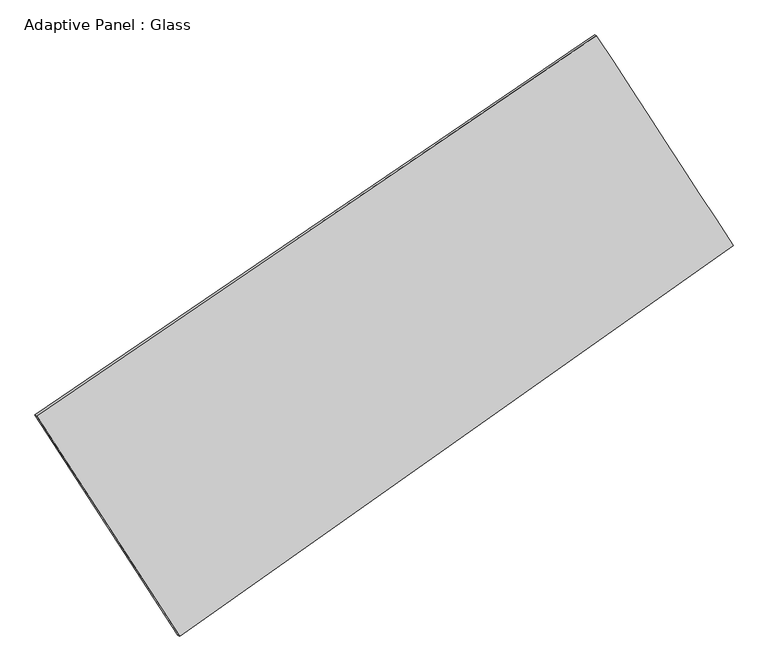
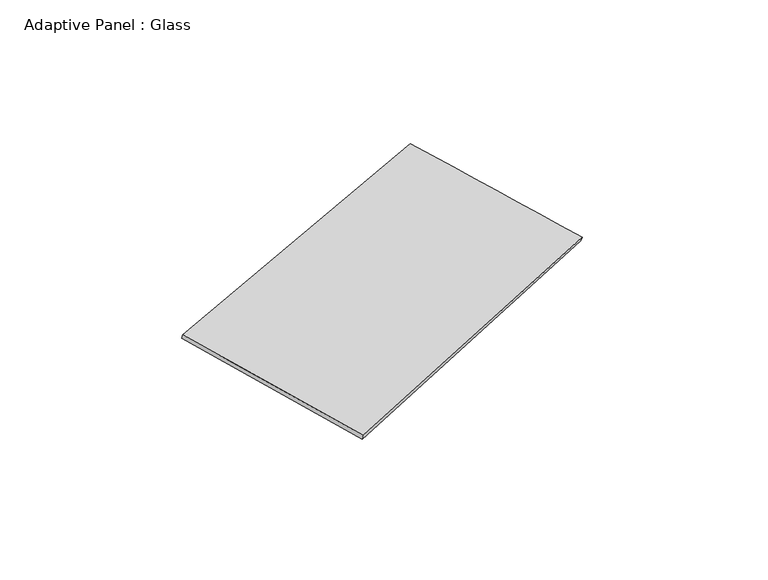
"""IFC4 building model written with IfcOpenShell, lengths in millimetres: plate geometry, Adaptive Panel : Glass."""

import ifcopenshell
import ifcopenshell.guid

model = None  # the IFC model being written
_history = None  # IfcOwnerHistory: only IFC2X3 demands one
_inside = {}  # id of a spatial element -> (the spatial element, [elements in it])
_under = {}  # id of a project, library or spatial element -> (it, [spatial elements below it])
_declared = {}  # id of a project -> (the project, [libraries it declares])
_typed = {}  # id of a type object -> (the type object, [elements of that type])
_made_of = {}  # id of a material, layer set ... -> (it, [elements and type objects made of it])


def new_model(schema):
    """Start an empty IFC model of exactly this schema.

    Asked for "IFC4X3", IfcOpenShell would pick the latest addendum, in which some entities
    have other attributes; the version numbers below select the first issue.
    IFC2X3 requires an IfcOwnerHistory on every rooted entity: one is made here for all.
    """
    global model, _history
    if schema == "IFC4X3":
        model = ifcopenshell.file(schema_version=(4, 3, 0, 0))
    else:
        model = ifcopenshell.file(schema=schema)
    _inside.clear()
    _under.clear()
    _declared.clear()
    _typed.clear()
    _made_of.clear()
    _history = None
    if model.schema == "IFC2X3":
        org = make("IfcOrganization", Name="unknown")
        user = make(
            "IfcPersonAndOrganization",
            ThePerson=make("IfcPerson", FamilyName="unknown"),
            TheOrganization=org,
        )
        app = make(
            "IfcApplication",
            ApplicationDeveloper=org,
            Version="unknown",
            ApplicationFullName="unknown",
            ApplicationIdentifier="unknown",
        )
        _history = make(
            "IfcOwnerHistory",
            OwningUser=user,
            OwningApplication=app,
            ChangeAction="ADDED",
            CreationDate=0,
        )
    return model


def make(cls, **values):
    """One entity of the class cls with the attributes given. An attribute that is None is left unset."""
    return model.create_entity(
        cls, **{name: value for name, value in values.items() if value is not None}
    )


def rooted(cls, **values):
    """An entity with a GlobalId (a new one), such as an element, a storey or a relation."""
    return make(cls, GlobalId=ifcopenshell.guid.new(), OwnerHistory=_history, **values)


def si_unit(unit_type, name, prefix=None):
    """IfcSIUnit, for example si_unit("LENGTHUNIT", "METRE", prefix="MILLI")."""
    return make("IfcSIUnit", UnitType=unit_type, Prefix=prefix, Name=name)


def assignment(units):
    """IfcUnitAssignment: the units of a project."""
    return None if units is None else make("IfcUnitAssignment", Units=units)


def point(xyz):
    """IfcCartesianPoint."""
    return None if xyz is None else make("IfcCartesianPoint", Coordinates=xyz)


def direction(xyz):
    """IfcDirection."""
    return None if xyz is None else make("IfcDirection", DirectionRatios=xyz)


def frame(location, z_axis=None, x_axis=None):
    """IfcAxis2Placement3D, a coordinate frame: its origin and axes. An axis left out is left unset."""
    return make(
        "IfcAxis2Placement3D",
        Location=point(location),
        Axis=direction(z_axis),
        RefDirection=direction(x_axis),
    )


def origin():
    """The frame at (0, 0, 0) with its axes left unset."""
    return frame((0.0, 0.0, 0.0))


def place(relative_to, where):
    """IfcLocalPlacement: puts the frame where relative to a parent placement (None: the world)."""
    return make(
        "IfcLocalPlacement", PlacementRelTo=relative_to, RelativePlacement=where
    )


def context(
    kind, dimensions, precision=None, world=None, true_north=None, identifier=None
):
    """IfcGeometricRepresentationContext, for example the 3D "Model" context."""
    return make(
        "IfcGeometricRepresentationContext",
        ContextIdentifier=identifier,
        ContextType=kind,
        CoordinateSpaceDimension=dimensions,
        Precision=precision,
        WorldCoordinateSystem=world,
        TrueNorth=true_north,
    )


def project(units=None, contexts=None):
    """IfcProject with its units and contexts."""
    return rooted(
        "IfcProject",
        Name="project",
        RepresentationContexts=contexts,
        UnitsInContext=assignment(units),
    )


def spatial(cls, under=None, at=None, **own):
    """A site, building, storey or space (cls), placed at a placement, below another one or the project."""
    s = rooted(cls, ObjectPlacement=at, **own)
    if under is not None:
        _under.setdefault(under.id(), (under, []))[1].append(s)
    return s


def shape(context_of_items, identifier, shape_type, items):
    """IfcShapeRepresentation: the items that make up one representation, for example the "Body"."""
    return make(
        "IfcShapeRepresentation",
        ContextOfItems=context_of_items,
        RepresentationIdentifier=identifier,
        RepresentationType=shape_type,
        Items=items,
    )


def source(mapping_origin, context_of_items, identifier, shape_type, items):
    """IfcRepresentationMap: a shape defined once, which mapped items show again and again."""
    return make(
        "IfcRepresentationMap",
        MappingOrigin=mapping_origin,
        MappedRepresentation=shape(context_of_items, identifier, shape_type, items),
    )


def transform(
    local_origin,
    x_axis=None,
    y_axis=None,
    z_axis=None,
    scale=None,
    scale2=None,
    scale3=None,
    uniform=True,
):
    """IfcCartesianTransformationOperator3D, or its non-uniform kind. x_axis, y_axis, z_axis: its Axis1, 2, 3."""
    if uniform:
        return make(
            "IfcCartesianTransformationOperator3D",
            Axis1=direction(x_axis),
            Axis2=direction(y_axis),
            LocalOrigin=point(local_origin),
            Scale=scale,
            Axis3=direction(z_axis),
        )
    return make(
        "IfcCartesianTransformationOperator3DnonUniform",
        Axis1=direction(x_axis),
        Axis2=direction(y_axis),
        LocalOrigin=point(local_origin),
        Scale=scale,
        Axis3=direction(z_axis),
        Scale2=scale2,
        Scale3=scale3,
    )


def mapped(mapping_source, mapping_target):
    """IfcMappedItem: shows the shape of a source again, moved by a transform."""
    return make(
        "IfcMappedItem", MappingSource=mapping_source, MappingTarget=mapping_target
    )


def made_of(thing, what):
    """Note that an element or type object is made of a material, layer set ...; save() writes the relation."""
    if what is not None:
        _made_of.setdefault(what.id(), (what, []))[1].append(thing)
    return thing


def element(
    cls,
    number,
    at=None,
    inside=None,
    cuts=None,
    type_object=None,
    material=None,
    context=None,
    identifier="Body",
    shape_type=None,
    held_by="IfcProductDefinitionShape",
    body=None,
    shapes=None,
    **own,
):
    """One element of the class cls, such as IfcWall. Its Tag is "e" and its number.

    at: its placement. inside: the storey or other place that contains it. cuts: it is an
    opening in that element (IfcRelVoidsElement). A single representation is given by context,
    identifier, shape_type and body (its items); several are given by shapes. held_by: the class
    of the entity that holds the representations. save() writes the other relations.
    """
    e = rooted(cls, Tag="e%d" % number, ObjectPlacement=at, **own)
    if body is not None:
        shapes = [shape(context, identifier, shape_type, body)]
    if shapes is not None:
        e.Representation = make(held_by, Representations=shapes)
    if inside is not None:
        _inside.setdefault(inside.id(), (inside, []))[1].append(e)
    if cuts is not None:
        rooted(
            "IfcRelVoidsElement", RelatingBuildingElement=cuts, RelatedOpeningElement=e
        )
    if type_object is not None:
        _typed.setdefault(type_object.id(), (type_object, []))[1].append(e)
    return made_of(e, material)


def aggregate(whole, parts):
    """IfcRelAggregates: a whole, such as a stair, and the parts it consists of."""
    return rooted("IfcRelAggregates", RelatingObject=whole, RelatedObjects=parts)


def save(model, path):
    """Write the relations noted so far, then the file.

    IfcRelAggregates (storeys below a building ...), IfcRelContainedInSpatialStructure (elements
    in a storey), IfcRelDefinesByType, IfcRelAssociatesMaterial and IfcRelDeclares: one each for
    every whole, place, type object, material and project.
    """
    for whole, parts in _under.values():
        aggregate(whole, parts)
    for where, things in _inside.values():
        rooted(
            "IfcRelContainedInSpatialStructure",
            RelatedElements=things,
            RelatingStructure=where,
        )
    for kind, things in _typed.values():
        rooted("IfcRelDefinesByType", RelatedObjects=things, RelatingType=kind)
    for what, things in _made_of.values():
        rooted("IfcRelAssociatesMaterial", RelatedObjects=things, RelatingMaterial=what)
    for by, libraries in _declared.values():
        rooted("IfcRelDeclares", RelatingContext=by, RelatedDefinitions=libraries)
    model.write(path)


def plane_surface(at):
    """IfcPlane: the flat surface through the origin of the frame at, square to its z axis."""
    return make("IfcPlane", Position=at)


def spline_surface(u_degree, v_degree, points, u_multiplicities, v_multiplicities, u_knots, v_knots, weights=None):
    """IfcBSplineSurfaceWithKnots; with weights, IfcRationalBSplineSurfaceWithKnots. points: one row for each step in u."""
    own = dict(
        UDegree=u_degree,
        VDegree=v_degree,
        ControlPointsList=[[point(p) for p in row] for row in points],
        SurfaceForm="UNSPECIFIED",
        UClosed=False,
        VClosed=False,
        SelfIntersect=False,
        UMultiplicities=u_multiplicities,
        VMultiplicities=v_multiplicities,
        UKnots=u_knots,
        VKnots=v_knots,
        KnotSpec="UNSPECIFIED",
    )
    if weights is None:
        return make("IfcBSplineSurfaceWithKnots", **own)
    return make("IfcRationalBSplineSurfaceWithKnots", WeightsData=weights, **own)


def advanced_brep(points, edges, surfaces, faces):
    """IfcAdvancedBrep: a solid bounded by faces that lie on surfaces and meet in shared edges.

    An edge is (start, end): straight between two places in points (the first is 0);
    or (start, end, curve); or (start, end, curve, False) where it runs against its curve.
    A face is (place in surfaces, loops), or (place, loops, False) where it looks against
    its surface's normal. A loop lists edges by number (the first is 1), with a minus sign
    where the edge is run from its end to its start. The first loop is the outer one.
    """
    corners = [point(p) for p in points]
    vertices = [make("IfcVertexPoint", VertexGeometry=c) for c in corners]
    made = []
    for start, end, *more in edges:
        made.append(
            make(
                "IfcEdgeCurve",
                EdgeStart=vertices[start],
                EdgeEnd=vertices[end],
                EdgeGeometry=more[0] if more else make("IfcPolyline", Points=[corners[start], corners[end]]),
                SameSense=more[1] if len(more) > 1 else True,
            )
        )
    hull = []
    for where, loops, *sense in faces:
        bounds = []
        for j, loop in enumerate(loops):
            ring = [make("IfcOrientedEdge", EdgeElement=made[abs(k) - 1], Orientation=k > 0) for k in loop]
            bounds.append(
                make(
                    "IfcFaceOuterBound" if j == 0 else "IfcFaceBound",
                    Bound=make("IfcEdgeLoop", EdgeList=ring),
                    Orientation=True,
                )
            )
        hull.append(make("IfcAdvancedFace", Bounds=bounds, FaceSurface=surfaces[where], SameSense=sense[0] if sense else True))
    return make("IfcAdvancedBrep", Outer=make("IfcClosedShell", CfsFaces=hull))


def adaptive_panel_glass_789ce68e(model_context):
    return source(origin(), model_context, "Body", "AdvancedBrep", [
        advanced_brep(
        [(1145.7097062, 2447.0251648, 650.9601948), (-3643.0013496, -806.4738924, 1709.3063198), (-3628.3349938, -812.8539858, 1756.6792279), (1160.376062, 2440.6450713, 698.3331028), (-2420.42011, -2692.5348638, 1063.1830459), (-2405.7537541, -2698.9149573, 1110.5559539), (2314.4211753, 651.7350186, 61.6729597), (2329.0875311, 645.3549251, 109.0458677)],
        [
            (0, 1),
            (1, 2),
            (2, 3),
            (3, 0),
            (1, 4),
            (4, 5),
            (5, 2),
            (4, 6),
            (6, 7),
            (7, 5),
            (6, 0),
            (3, 7),
        ],
        [
            plane_surface(frame((-1248.6458217, 820.2756362, 1180.1332573), z_axis=(-0.5008240600181407, 0.8236679076736064, 0.26598202716636565), x_axis=(-0.8136691167741159, -0.5528150839333138, 0.17982783817816803))),
            plane_surface(frame((-3031.7107298, -1749.5043781, 1386.2446829), z_axis=(-0.7993577062565631, -0.5763476619171694, 0.16985473220036795), x_axis=(0.5227663679533076, -0.8064652162005802, -0.27627735990388114))),
            plane_surface(frame((-52.9994673, -1020.3999226, 562.4280028), z_axis=(0.5169022649765207, -0.8125291247473324, -0.26945958862040287), x_axis=(0.8048787148316323, 0.5684945878520096, -0.1702473435738536))),
            plane_surface(frame((1730.0654407, 1549.3800917, 356.3165772), z_axis=(0.7994519951351283, 0.57620249650657, -0.16990347404941145), x_axis=(-0.5260298334231914, 0.8080490364691514, 0.26523455470591595))),
            spline_surface(1, 1, [[(-3628.3349938, -812.8539858, 1756.6792279), (1160.376062, 2440.6450713, 698.3331028)], [(-2405.7537541, -2698.9149573, 1110.5559539), (2329.0875311, 645.3549251, 109.0458677)]], [2, 2], [2, 2], [0.0, 1.0], [0.0, 1.0]),
            spline_surface(1, 1, [[(2314.4211753, 651.7350186, 61.6729597), (1145.7097062, 2447.0251648, 650.9601948)], [(-2420.42011, -2692.5348638, 1063.1830459), (-3643.0013496, -806.4738924, 1709.3063198)]], [2, 2], [2, 2], [0.0, 1.0], [0.0, 1.0]),
        ],
        [
            (0, [[1, 2, 3, 4]]),
            (1, [[5, 6, 7, -2]]),
            (2, [[8, 9, 10, -6]]),
            (3, [[11, -4, 12, -9]]),
            (4, [[-3, -7, -10, -12]]),
            (5, [[-11, -8, -5, -1]]),
        ],
    ),
    ])


if __name__ == "__main__":
    model = new_model("IFC4")
    model_context = context("Model", 3, world=origin())
    ifc_project = project(units=[si_unit("LENGTHUNIT", "METRE", prefix="MILLI")], contexts=[model_context])
    site = spatial("IfcSite", under=ifc_project)
    building = spatial("IfcBuilding", under=site)
    placement = place(None, origin())
    adaptive_panel_glass_shape = adaptive_panel_glass_789ce68e(model_context)
    element("IfcPlate", 1, ObjectType="Adaptive Panel : Glass", at=placement, inside=building, context=model_context, shape_type="MappedRepresentation", body=[
        mapped(adaptive_panel_glass_shape, transform((0.0, 0.0, 0.0), x_axis=(1.0, 0.0, 0.0), y_axis=(0.0, 1.0, 0.0), z_axis=(0.0, 0.0, 1.0))),
    ])
    save(model, "model.ifc")
